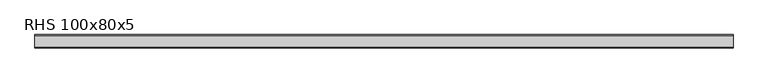
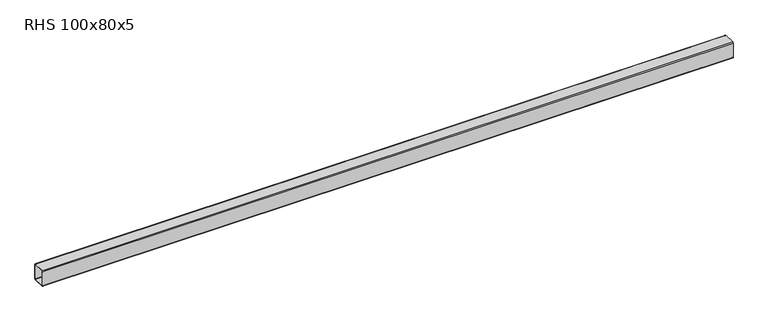
"""IFC4 building model written with IfcOpenShell, lengths in millimetres: beam geometry, RHS 100x80x5."""

import ifcopenshell
import ifcopenshell.guid

model = None  # the IFC model being written
_history = None  # IfcOwnerHistory: only IFC2X3 demands one
_inside = {}  # id of a spatial element -> (the spatial element, [elements in it])
_under = {}  # id of a project, library or spatial element -> (it, [spatial elements below it])
_declared = {}  # id of a project -> (the project, [libraries it declares])
_typed = {}  # id of a type object -> (the type object, [elements of that type])
_made_of = {}  # id of a material, layer set ... -> (it, [elements and type objects made of it])


def new_model(schema):
    """Start an empty IFC model of exactly this schema.

    Asked for "IFC4X3", IfcOpenShell would pick the latest addendum, in which some entities
    have other attributes; the version numbers below select the first issue.
    IFC2X3 requires an IfcOwnerHistory on every rooted entity: one is made here for all.
    """
    global model, _history
    if schema == "IFC4X3":
        model = ifcopenshell.file(schema_version=(4, 3, 0, 0))
    else:
        model = ifcopenshell.file(schema=schema)
    _inside.clear()
    _under.clear()
    _declared.clear()
    _typed.clear()
    _made_of.clear()
    _history = None
    if model.schema == "IFC2X3":
        org = make("IfcOrganization", Name="unknown")
        user = make(
            "IfcPersonAndOrganization",
            ThePerson=make("IfcPerson", FamilyName="unknown"),
            TheOrganization=org,
        )
        app = make(
            "IfcApplication",
            ApplicationDeveloper=org,
            Version="unknown",
            ApplicationFullName="unknown",
            ApplicationIdentifier="unknown",
        )
        _history = make(
            "IfcOwnerHistory",
            OwningUser=user,
            OwningApplication=app,
            ChangeAction="ADDED",
            CreationDate=0,
        )
    return model


def make(cls, **values):
    """One entity of the class cls with the attributes given. An attribute that is None is left unset."""
    return model.create_entity(
        cls, **{name: value for name, value in values.items() if value is not None}
    )


def rooted(cls, **values):
    """An entity with a GlobalId (a new one), such as an element, a storey or a relation."""
    return make(cls, GlobalId=ifcopenshell.guid.new(), OwnerHistory=_history, **values)


def si_unit(unit_type, name, prefix=None):
    """IfcSIUnit, for example si_unit("LENGTHUNIT", "METRE", prefix="MILLI")."""
    return make("IfcSIUnit", UnitType=unit_type, Prefix=prefix, Name=name)


def assignment(units):
    """IfcUnitAssignment: the units of a project."""
    return None if units is None else make("IfcUnitAssignment", Units=units)


def point(xyz):
    """IfcCartesianPoint."""
    return None if xyz is None else make("IfcCartesianPoint", Coordinates=xyz)


def direction(xyz):
    """IfcDirection."""
    return None if xyz is None else make("IfcDirection", DirectionRatios=xyz)


def frame(location, z_axis=None, x_axis=None):
    """IfcAxis2Placement3D, a coordinate frame: its origin and axes. An axis left out is left unset."""
    return make(
        "IfcAxis2Placement3D",
        Location=point(location),
        Axis=direction(z_axis),
        RefDirection=direction(x_axis),
    )


def frame_2d(location, x_axis=None):
    """IfcAxis2Placement2D, a coordinate frame in the plane: its origin and x axis."""
    return make(
        "IfcAxis2Placement2D", Location=point(location), RefDirection=direction(x_axis)
    )


def origin():
    """The frame at (0, 0, 0) with its axes left unset."""
    return frame((0.0, 0.0, 0.0))


def place(relative_to, where):
    """IfcLocalPlacement: puts the frame where relative to a parent placement (None: the world)."""
    return make(
        "IfcLocalPlacement", PlacementRelTo=relative_to, RelativePlacement=where
    )


def context(
    kind, dimensions, precision=None, world=None, true_north=None, identifier=None
):
    """IfcGeometricRepresentationContext, for example the 3D "Model" context."""
    return make(
        "IfcGeometricRepresentationContext",
        ContextIdentifier=identifier,
        ContextType=kind,
        CoordinateSpaceDimension=dimensions,
        Precision=precision,
        WorldCoordinateSystem=world,
        TrueNorth=true_north,
    )


def project(units=None, contexts=None):
    """IfcProject with its units and contexts."""
    return rooted(
        "IfcProject",
        Name="project",
        RepresentationContexts=contexts,
        UnitsInContext=assignment(units),
    )


def spatial(cls, under=None, at=None, **own):
    """A site, building, storey or space (cls), placed at a placement, below another one or the project."""
    s = rooted(cls, ObjectPlacement=at, **own)
    if under is not None:
        _under.setdefault(under.id(), (under, []))[1].append(s)
    return s


def polyline(points):
    """IfcPolyline through the points."""
    return make("IfcPolyline", Points=[point(p) for p in points])


def circle_curve(where, radius):
    """IfcCircle in the frame where."""
    return make("IfcCircle", Position=where, Radius=radius)


def trimmed(basis, trim1, trim2, sense, master):
    """IfcTrimmedCurve: the piece of a basis curve between two trims."""
    return make(
        "IfcTrimmedCurve",
        BasisCurve=basis,
        Trim1=trim1,
        Trim2=trim2,
        SenseAgreement=sense,
        MasterRepresentation=master,
    )


def segment(curve, same_sense, transition):
    """IfcCompositeCurveSegment."""
    return make(
        "IfcCompositeCurveSegment",
        Transition=transition,
        SameSense=same_sense,
        ParentCurve=curve,
    )


def composite_curve(segments, self_intersect=None):
    """IfcCompositeCurve: segments joined end to end."""
    return make("IfcCompositeCurve", Segments=segments, SelfIntersect=self_intersect)


def outline(outer, holes=None, kind="AREA"):
    """IfcArbitraryClosedProfileDef: a profile drawn as a closed curve; with holes, ...WithVoids."""
    if holes is None:
        return make("IfcArbitraryClosedProfileDef", ProfileType=kind, OuterCurve=outer)
    return make(
        "IfcArbitraryProfileDefWithVoids",
        ProfileType=kind,
        OuterCurve=outer,
        InnerCurves=holes,
    )


def extrude(swept, where, along, depth):
    """IfcExtrudedAreaSolid: the profile swept, set in the frame where, extruded along a direction by depth."""
    return make(
        "IfcExtrudedAreaSolid",
        SweptArea=swept,
        Position=where,
        ExtrudedDirection=direction(along),
        Depth=depth,
    )


def shape(context_of_items, identifier, shape_type, items):
    """IfcShapeRepresentation: the items that make up one representation, for example the "Body"."""
    return make(
        "IfcShapeRepresentation",
        ContextOfItems=context_of_items,
        RepresentationIdentifier=identifier,
        RepresentationType=shape_type,
        Items=items,
    )


def source(mapping_origin, context_of_items, identifier, shape_type, items):
    """IfcRepresentationMap: a shape defined once, which mapped items show again and again."""
    return make(
        "IfcRepresentationMap",
        MappingOrigin=mapping_origin,
        MappedRepresentation=shape(context_of_items, identifier, shape_type, items),
    )


def transform(
    local_origin,
    x_axis=None,
    y_axis=None,
    z_axis=None,
    scale=None,
    scale2=None,
    scale3=None,
    uniform=True,
):
    """IfcCartesianTransformationOperator3D, or its non-uniform kind. x_axis, y_axis, z_axis: its Axis1, 2, 3."""
    if uniform:
        return make(
            "IfcCartesianTransformationOperator3D",
            Axis1=direction(x_axis),
            Axis2=direction(y_axis),
            LocalOrigin=point(local_origin),
            Scale=scale,
            Axis3=direction(z_axis),
        )
    return make(
        "IfcCartesianTransformationOperator3DnonUniform",
        Axis1=direction(x_axis),
        Axis2=direction(y_axis),
        LocalOrigin=point(local_origin),
        Scale=scale,
        Axis3=direction(z_axis),
        Scale2=scale2,
        Scale3=scale3,
    )


def mapped(mapping_source, mapping_target):
    """IfcMappedItem: shows the shape of a source again, moved by a transform."""
    return make(
        "IfcMappedItem", MappingSource=mapping_source, MappingTarget=mapping_target
    )


def made_of(thing, what):
    """Note that an element or type object is made of a material, layer set ...; save() writes the relation."""
    if what is not None:
        _made_of.setdefault(what.id(), (what, []))[1].append(thing)
    return thing


def element(
    cls,
    number,
    at=None,
    inside=None,
    cuts=None,
    type_object=None,
    material=None,
    context=None,
    identifier="Body",
    shape_type=None,
    held_by="IfcProductDefinitionShape",
    body=None,
    shapes=None,
    **own,
):
    """One element of the class cls, such as IfcWall. Its Tag is "e" and its number.

    at: its placement. inside: the storey or other place that contains it. cuts: it is an
    opening in that element (IfcRelVoidsElement). A single representation is given by context,
    identifier, shape_type and body (its items); several are given by shapes. held_by: the class
    of the entity that holds the representations. save() writes the other relations.
    """
    e = rooted(cls, Tag="e%d" % number, ObjectPlacement=at, **own)
    if body is not None:
        shapes = [shape(context, identifier, shape_type, body)]
    if shapes is not None:
        e.Representation = make(held_by, Representations=shapes)
    if inside is not None:
        _inside.setdefault(inside.id(), (inside, []))[1].append(e)
    if cuts is not None:
        rooted(
            "IfcRelVoidsElement", RelatingBuildingElement=cuts, RelatedOpeningElement=e
        )
    if type_object is not None:
        _typed.setdefault(type_object.id(), (type_object, []))[1].append(e)
    return made_of(e, material)


def aggregate(whole, parts):
    """IfcRelAggregates: a whole, such as a stair, and the parts it consists of."""
    return rooted("IfcRelAggregates", RelatingObject=whole, RelatedObjects=parts)


def save(model, path):
    """Write the relations noted so far, then the file.

    IfcRelAggregates (storeys below a building ...), IfcRelContainedInSpatialStructure (elements
    in a storey), IfcRelDefinesByType, IfcRelAssociatesMaterial and IfcRelDeclares: one each for
    every whole, place, type object, material and project.
    """
    for whole, parts in _under.values():
        aggregate(whole, parts)
    for where, things in _inside.values():
        rooted(
            "IfcRelContainedInSpatialStructure",
            RelatedElements=things,
            RelatingStructure=where,
        )
    for kind, things in _typed.values():
        rooted("IfcRelDefinesByType", RelatedObjects=things, RelatingType=kind)
    for what, things in _made_of.values():
        rooted("IfcRelAssociatesMaterial", RelatedObjects=things, RelatingMaterial=what)
    for by, libraries in _declared.values():
        rooted("IfcRelDeclares", RelatingContext=by, RelatedDefinitions=libraries)
    model.write(path)


def rhs_100x80x5_d400595f(model_context):
    return source(origin(), model_context, "Body", "SweptSolid", [
        extrude(outline(composite_curve([segment(polyline([(40.0, 45.0), (40.0, -45.0)]), True, "CONTINUOUS"), segment(trimmed(circle_curve(frame_2d((35.0, -45.0)), 5.0), [point((40.0, -45.0))], [point((35.0, -50.0))], False, "CARTESIAN"), True, "CONTINUOUS"), segment(polyline([(35.0, -50.0), (-35.0, -50.0)]), True, "CONTINUOUS"), segment(trimmed(circle_curve(frame_2d((-35.0, -45.0)), 5.0), [point((-35.0, -50.0))], [point((-40.0, -45.0))], False, "CARTESIAN"), True, "CONTINUOUS"), segment(polyline([(-40.0, -45.0), (-40.0, 45.0)]), True, "CONTINUOUS"), segment(trimmed(circle_curve(frame_2d((-35.0, 45.0)), 5.0), [point((-40.0, 45.0))], [point((-35.0, 50.0))], False, "CARTESIAN"), True, "CONTINUOUS"), segment(polyline([(-35.0, 50.0), (35.0, 50.0)]), True, "CONTINUOUS"), segment(trimmed(circle_curve(frame_2d((35.0, 45.0)), 5.0), [point((35.0, 50.0))], [point((40.0, 45.0))], False, "CARTESIAN"), True, "CONTINUOUS")], self_intersect=False), holes=[composite_curve([segment(trimmed(circle_curve(frame_2d((-35.0, 45.0)), 2.5), [point((-35.0, 47.5))], [point((-37.5, 45.0))], True, "CARTESIAN"), True, "CONTINUOUS"), segment(polyline([(-37.5, 45.0), (-37.5, -45.0)]), True, "CONTINUOUS"), segment(trimmed(circle_curve(frame_2d((-35.0, -45.0)), 2.5), [point((-37.5, -45.0))], [point((-35.0, -47.5))], True, "CARTESIAN"), True, "CONTINUOUS"), segment(polyline([(-35.0, -47.5), (35.0, -47.5)]), True, "CONTINUOUS"), segment(trimmed(circle_curve(frame_2d((35.0, -45.0)), 2.5), [point((35.0, -47.5))], [point((37.5, -45.0))], True, "CARTESIAN"), True, "CONTINUOUS"), segment(polyline([(37.5, -45.0), (37.5, 45.0)]), True, "CONTINUOUS"), segment(trimmed(circle_curve(frame_2d((35.0, 45.0)), 2.5), [point((37.5, 45.0))], [point((35.0, 47.5))], True, "CARTESIAN"), True, "CONTINUOUS"), segment(polyline([(35.0, 47.5), (-35.0, 47.5)]), True, "CONTINUOUS")], self_intersect=False)]), frame((-2105.9249839, 0.0, 0.0), z_axis=(1.0, 0.0, 0.0), x_axis=(0.0, 1.0, 0.0)), (0.0, 0.0, 1.0), 4211.8499158),
    ])


if __name__ == "__main__":
    model = new_model("IFC4")
    model_context = context("Model", 3, world=origin())
    ifc_project = project(units=[si_unit("LENGTHUNIT", "METRE", prefix="MILLI")], contexts=[model_context])
    site = spatial("IfcSite", under=ifc_project)
    building = spatial("IfcBuilding", under=site)
    placement = place(None, origin())
    rhs_100x80x5_shape = rhs_100x80x5_d400595f(model_context)
    element("IfcBeam", 1, ObjectType="RHS 100x80x5", at=placement, inside=building, context=model_context, shape_type="MappedRepresentation", body=[
        mapped(rhs_100x80x5_shape, transform((0.0, 0.0, 0.0), x_axis=(1.0, 0.0, 0.0), y_axis=(0.0, 1.0, 0.0), z_axis=(0.0, 0.0, 1.0))),
    ])
    save(model, "model.ifc")
